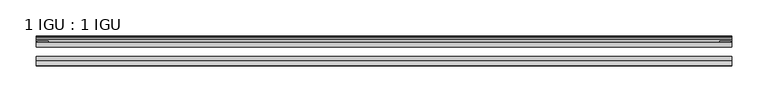
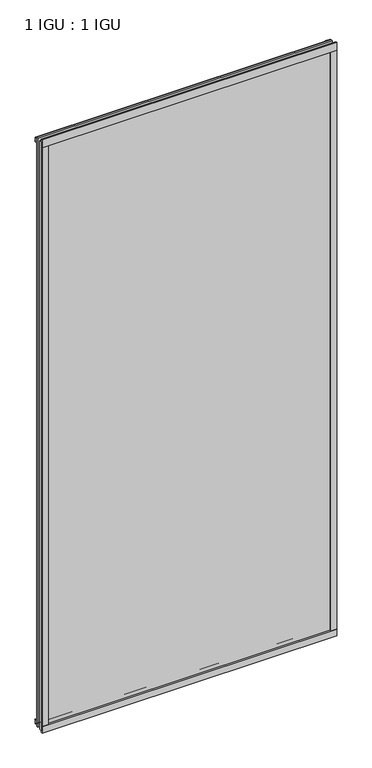
"""IFC4 building model written with IfcOpenShell, lengths in millimetres: plate geometry, 1 IGU : 1 IGU."""

from ifc_helpers import new_model, si_unit, point, frame, frame_2d, origin, place, context, project, spatial, polyline, circle_curve, trimmed, segment, composite_curve, outline, extrude, source, transform, mapped, element, save


def plate_1_igu_1_igu_5d528357(model_context):
    return source(origin(), model_context, "Body", "SweptSolid", [
        extrude(outline(polyline([(481.33, 0.0021347), (481.33, -6.2992), (-481.33, -6.2992), (-481.33, 0.0021347), (481.33, 0.0021347)])), frame((0.0, 0.0, -17.4498), z_axis=(0.0, 0.0, 1.0), x_axis=(1.0, 0.0, 0.0)), (0.0, 0.0, 1.0), 2035.1578337),
        extrude(outline(polyline([(-481.33, -19.0986653), (481.33, -19.0986653), (481.33, -25.3978653), (-481.33, -25.3978653), (-481.33, -19.0986653)])), frame((0.0, 0.0, -17.4498), z_axis=(0.0, 0.0, 1.0), x_axis=(1.0, 0.0, 0.0)), (0.0, 0.0, 1.0), 2035.1578337),
        extrude(outline(composite_curve([segment(polyline([(-31.75, 0.0), (-25.4, 0.0), (-25.4, -22.225)]), True, "CONTINUOUS"), segment(trimmed(circle_curve(frame_2d((-28.575, -28.9113452)), 7.4018806), [point((-25.4, -22.225))], [point((-31.75, -22.225))], True, "CARTESIAN"), True, "CONTINUOUS"), segment(polyline([(-31.75, -22.225), (-31.75, 0.0)]), True, "CONTINUOUS")], self_intersect=False)), frame((-481.33, 0.0, 0.0), z_axis=(1.0, 0.0, 0.0), x_axis=(0.0, 1.0, 0.0)), (0.0, 0.0, 1.0), 962.66),
        extrude(outline(composite_curve([segment(trimmed(circle_curve(frame_2d((13.6593785, 32.4202472)), 31.3046461), [point((0.0, 4.2528503))], [point((9.3980339, 1.406995))], True, "CARTESIAN"), True, "CONTINUOUS"), segment(polyline([(9.3980339, 1.406995), (9.3980339, 0.0254), (6.35, 0.0254), (6.35, -5.1625788), (7.7309478, -5.3970663), (6.35, -8.0073788), (6.35, -11.8471127)]), True, "CONTINUOUS"), segment(trimmed(circle_curve(frame_2d((5.334, -11.8471127)), 1.016), [point((6.35, -11.8471127))], [point((4.6284878, -12.5782136))], False, "CARTESIAN"), True, "CONTINUOUS"), segment(trimmed(circle_curve(frame_2d((-23.3689302, -41.5910901)), 40.3187601), [point((4.6284878, -12.5782136))], [point((0.0, -8.735413))], True, "CARTESIAN"), True, "CONTINUOUS"), segment(polyline([(0.0, -8.735413), (0.0, 4.2528503)]), True, "CONTINUOUS")], self_intersect=False)), frame((-481.33, 0.0, 0.0), z_axis=(1.0, 0.0, 0.0), x_axis=(0.0, 1.0, 0.0)), (0.0, 0.0, 1.0), 962.66),
        extrude(outline(composite_curve([segment(trimmed(circle_curve(frame_2d((-23.3689302, 2041.8747237)), 40.3187601), [point((0.0, 2009.0190467))], [point((4.9746073, 2013.1998864))], True, "CARTESIAN"), True, "CONTINUOUS"), segment(trimmed(circle_curve(frame_2d((5.8674, 2012.2966582)), 1.27), [point((4.9746073, 2013.1998864))], [point((7.1374, 2012.2966582))], False, "CARTESIAN"), True, "CONTINUOUS"), segment(polyline([(7.1374, 2012.2966582), (7.1374, 2007.8958505), (7.7309478, 2005.6806999), (6.35, 2005.4462125), (6.35, 2000.2582337), (9.3980339, 2000.2582337), (9.3980339, 1998.8766387)]), True, "CONTINUOUS"), segment(trimmed(circle_curve(frame_2d((13.6593785, 1967.8633864)), 31.3046461), [point((9.3980339, 1998.8766387))], [point((0.0, 1996.0307834))], True, "CARTESIAN"), True, "CONTINUOUS"), segment(polyline([(0.0, 1996.0307834), (0.0, 2009.0190467)]), True, "CONTINUOUS")], self_intersect=False)), frame((-481.33, 0.0, 0.0), z_axis=(1.0, 0.0, 0.0), x_axis=(0.0, 1.0, 0.0)), (0.0, 0.0, 1.0), 962.66),
        extrude(outline(composite_curve([segment(polyline([(-25.4, 2025.6582337), (-25.4, 2000.2582337), (-31.75, 2000.2582337), (-31.75, 2028.431131)]), True, "CONTINUOUS"), segment(trimmed(circle_curve(frame_2d((-24.1401272, 2037.2006452)), 11.6109665), [point((-31.75, 2028.431131))], [point((-25.4, 2025.6582337))], True, "CARTESIAN"), True, "CONTINUOUS")], self_intersect=False)), frame((-481.33, 0.0, 0.0), z_axis=(1.0, 0.0, 0.0), x_axis=(0.0, 1.0, 0.0)), (0.0, 0.0, 1.0), 962.66),
        extrude(outline(composite_curve([segment(polyline([(462.28, -25.4), (481.33, -25.4)]), True, "CONTINUOUS"), segment(trimmed(circle_curve(frame_2d((490.7961507, -28.575)), 9.9844196), [point((481.33, -25.4))], [point((481.33, -31.75))], True, "CARTESIAN"), True, "CONTINUOUS"), segment(polyline([(481.33, -31.75), (462.28, -31.75), (462.28, -25.4)]), True, "CONTINUOUS")], self_intersect=False)), frame((0.0, 0.0, -17.4498), z_axis=(0.0, 0.0, 1.0), x_axis=(1.0, 0.0, 0.0)), (0.0, 0.0, 1.0), 2035.1578337),
        extrude(outline(polyline([(480.1235, 2.2860088), (480.1235, 0.0021347), (464.2485, 0.0021347), (464.2485, 2.2860088), (480.1235, 2.2860088)])), frame((0.0, 0.0, -17.4498), z_axis=(0.0, 0.0, 1.0), x_axis=(1.0, 0.0, 0.0)), (0.0, 0.0, 1.0), 2035.1578337),
        extrude(outline(composite_curve([segment(trimmed(circle_curve(frame_2d((-490.7961507, -28.575)), 9.9844196), [point((-481.33, -31.75))], [point((-481.33, -25.4))], True, "CARTESIAN"), True, "CONTINUOUS"), segment(polyline([(-481.33, -25.4), (-462.28, -25.4), (-462.28, -31.75), (-481.33, -31.75)]), True, "CONTINUOUS")], self_intersect=False)), frame((0.0, 0.0, -17.4498), z_axis=(0.0, 0.0, 1.0), x_axis=(1.0, 0.0, 0.0)), (0.0, 0.0, 1.0), 2035.1578337),
        extrude(outline(polyline([(-480.1235, 0.0), (-480.1235, 2.286), (-464.2485, 2.286), (-464.2485, 0.0), (-480.1235, 0.0)])), frame((0.0, 0.0, -17.4498), z_axis=(0.0, 0.0, 1.0), x_axis=(1.0, 0.0, 0.0)), (0.0, 0.0, 1.0), 2035.1578337),
    ])


if __name__ == "__main__":
    model = new_model("IFC4")
    model_context = context("Model", 3, world=origin())
    ifc_project = project(units=[si_unit("LENGTHUNIT", "METRE", prefix="MILLI")], contexts=[model_context])
    site = spatial("IfcSite", under=ifc_project)
    building = spatial("IfcBuilding", under=site)
    placement = place(None, origin())
    plate_1_igu_1_igu_shape = plate_1_igu_1_igu_5d528357(model_context)
    element("IfcPlate", 1, ObjectType="1 IGU : 1 IGU", at=placement, inside=building, context=model_context, shape_type="MappedRepresentation", body=[
        mapped(plate_1_igu_1_igu_shape, transform((0.0, 0.0, 0.0), x_axis=(1.0, 0.0, 0.0), y_axis=(0.0, 1.0, 0.0), z_axis=(0.0, 0.0, 1.0))),
    ])
    save(model, "model.ifc")
